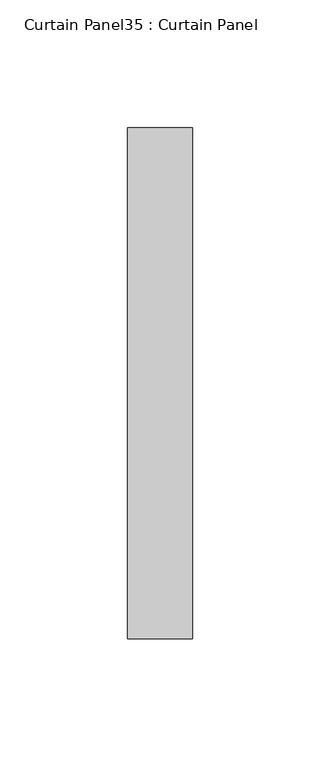
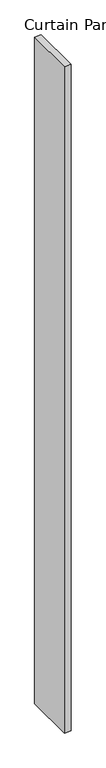
"""IFC4 building model written with IfcOpenShell, lengths in millimetres: plate geometry, Curtain Panel35 : Curtain Panel."""

from ifc_helpers import new_model, si_unit, frame, origin, place, context, project, spatial, polyline, outline, extrude, source, transform, mapped, element, save


def curtain_panel35_curtain_panel_c9b49446(model_context):
    return source(origin(), model_context, "Body", "SweptSolid", [
        extrude(outline(polyline([(81038.6995232, 2361.8865142), (81038.6995232, 2561.9114009), (81064.0995232, 2561.9114009), (81064.0995232, 2361.8865142), (81038.6995232, 2361.8865142)])), frame((0.0, 0.0, -687.1377978), z_axis=(0.0, 0.0, 1.0), x_axis=(1.0, 0.0, 0.0)), (0.0, 0.0, 1.0), 2743.2),
    ])


if __name__ == "__main__":
    model = new_model("IFC4")
    model_context = context("Model", 3, world=origin())
    ifc_project = project(units=[si_unit("LENGTHUNIT", "METRE", prefix="MILLI")], contexts=[model_context])
    site = spatial("IfcSite", under=ifc_project)
    building = spatial("IfcBuilding", under=site)
    placement = place(None, origin())
    curtain_panel35_curtain_panel_shape = curtain_panel35_curtain_panel_c9b49446(model_context)
    element("IfcPlate", 1, ObjectType="Curtain Panel35 : Curtain Panel", at=placement, inside=building, context=model_context, shape_type="MappedRepresentation", body=[
        mapped(curtain_panel35_curtain_panel_shape, transform((0.0, 0.0, 0.0), x_axis=(1.0, 0.0, 0.0), y_axis=(0.0, 1.0, 0.0), z_axis=(0.0, 0.0, 1.0))),
    ])
    save(model, "model.ifc")
